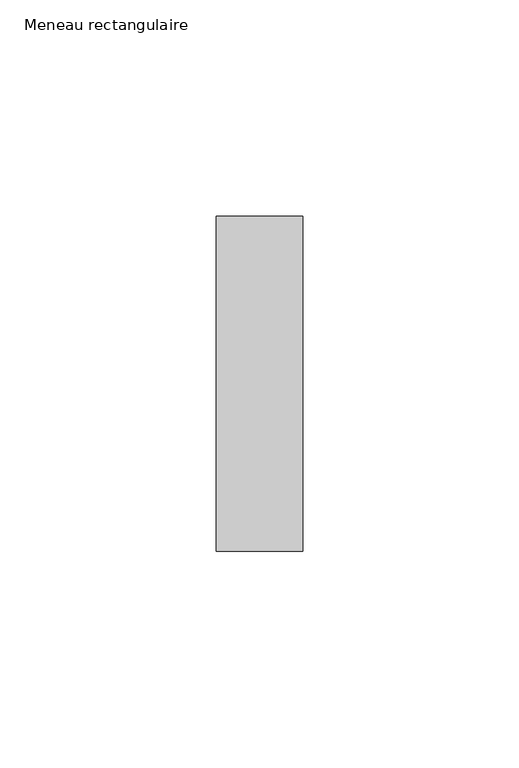
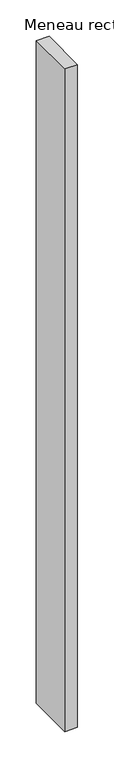
"""IFC4 building model written with IfcOpenShell, lengths in millimetres: member geometry, Meneau rectangulaire."""

from ifc_helpers import new_model, si_unit, frame, origin, place, context, project, spatial, polyline, outline, extrude, source, transform, mapped, element, save


def meneau_rectangulaire_375a3436(model_context):
    return source(origin(), model_context, "Body", "SweptSolid", [
        extrude(outline(polyline([(0.0, 38.75), (0.0, -38.75), (-20.0, -38.75), (-20.0, 38.75), (0.0, 38.75)])), frame((0.0, 0.0, -1109.8749998), z_axis=(0.0, 0.0, 1.0), x_axis=(1.0, 0.0, 0.0)), (0.0, 0.0, 1.0), 1109.8749998),
    ])


if __name__ == "__main__":
    model = new_model("IFC4")
    model_context = context("Model", 3, world=origin())
    ifc_project = project(units=[si_unit("LENGTHUNIT", "METRE", prefix="MILLI")], contexts=[model_context])
    site = spatial("IfcSite", under=ifc_project)
    building = spatial("IfcBuilding", under=site)
    placement = place(None, origin())
    meneau_rectangulaire_shape = meneau_rectangulaire_375a3436(model_context)
    element("IfcMember", 1, ObjectType="Meneau rectangulaire", at=placement, inside=building, context=model_context, shape_type="MappedRepresentation", body=[
        mapped(meneau_rectangulaire_shape, transform((0.0, 0.0, 0.0), x_axis=(1.0, 0.0, 0.0), y_axis=(0.0, 1.0, 0.0), z_axis=(0.0, 0.0, 1.0))),
    ])
    save(model, "model.ifc")
